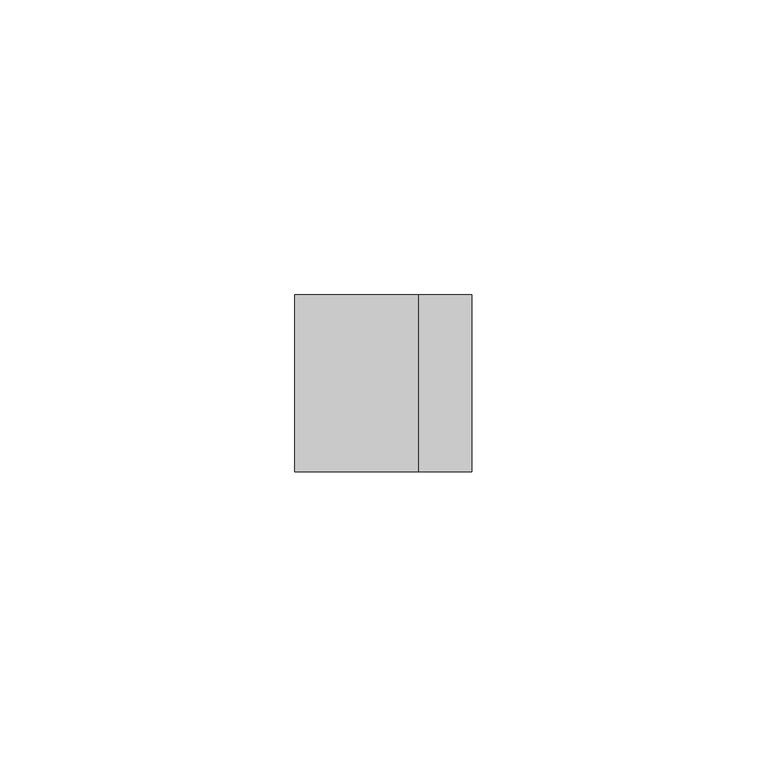
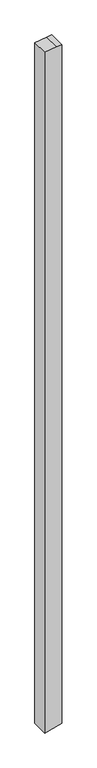
"""IFC4 building model written with IfcOpenShell, lengths in millimetres: member geometry."""

from ifc_helpers import new_model, si_unit, frame, origin, place, context, project, spatial, polyline, outline, extrude, source, transform, mapped, element, save


def member_4678aa9e(model_context):
    return source(origin(), model_context, "Body", "SweptSolid", [
        extrude(outline(polyline([(-48.5433044, 15.0), (-49.6337196, 6.041016), (-52.1946624, -15.0), (-1320.1350754, -15.0), (-1317.8495963, -6.4704761), (-1312.0965996, 15.0), (-48.5433044, 15.0)])), frame((0.0, -15.0, 0.0), z_axis=(0.0, 1.0, 0.0), x_axis=(0.0, 0.0, 1.0)), (0.0, 0.0, 1.0), 30.0),
    ])


if __name__ == "__main__":
    model = new_model("IFC4")
    model_context = context("Model", 3, world=origin())
    ifc_project = project(units=[si_unit("LENGTHUNIT", "METRE", prefix="MILLI")], contexts=[model_context])
    site = spatial("IfcSite", under=ifc_project)
    building = spatial("IfcBuilding", under=site)
    placement = place(None, origin())
    member_shape = member_4678aa9e(model_context)
    element("IfcMember", 1, at=placement, inside=building, context=model_context, shape_type="MappedRepresentation", body=[
        mapped(member_shape, transform((0.0, 0.0, 0.0), x_axis=(1.0, 0.0, 0.0), y_axis=(0.0, 1.0, 0.0), z_axis=(0.0, 0.0, 1.0))),
    ])
    save(model, "model.ifc")
